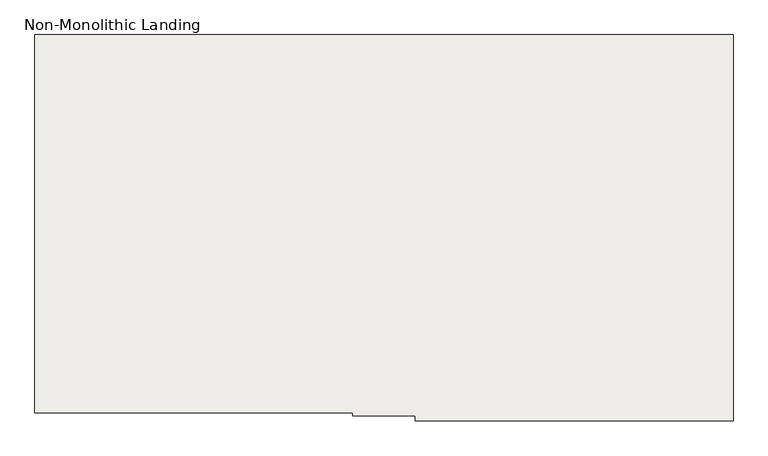
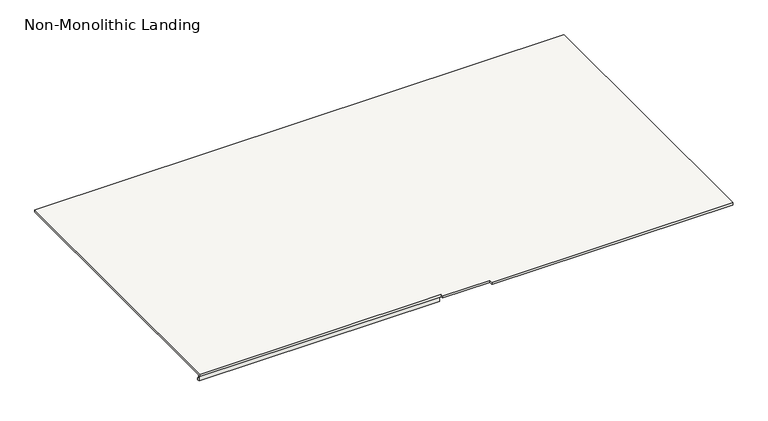
"""IFC4 building model written with IfcOpenShell, lengths in millimetres: slab geometry, Non-Monolithic Landing."""

from ifc_helpers import new_model, si_unit, origin, place, context, project, spatial, faceted_brep, source, transform, mapped, element, save


def non_monolithic_landing_a6f5d22e(model_context):
    return source(origin(), model_context, "Body", "Brep", [
        faceted_brep([(-10251.8300828, 3425.7653131, 2321.5294118), (-10251.8300828, 2235.7653131, 2321.5294118), (-9251.8300828, 2235.7653131, 2321.5294118), (-9251.8300828, 2225.7653131, 2321.5294118), (-9055.3300828, 2225.7653131, 2321.5294118), (-9055.3300828, 2210.7653131, 2321.5294118), (-8055.3300828, 2210.7653131, 2321.5294118), (-8055.3300828, 2225.7653131, 2321.5294118), (-8055.3300828, 3425.7653131, 2321.5294118), (-9251.8300828, 2235.7653131, 2311.5294118), (-10251.8300828, 2235.7653131, 2311.5294118), (-10251.8300828, 2245.7653131, 2311.5294118), (-9251.8300828, 2245.7653131, 2311.5294118), (-9251.8300828, 2249.0596675, 2311.5294118), (-10251.8300828, 2249.0596675, 2311.5294118), (-10251.8300828, 3425.7653131, 2311.5294118), (-8055.3300828, 3425.7653131, 2311.5294118), (-8055.3300828, 2225.7653131, 2311.5294118), (-8055.3300828, 2210.7653131, 2311.5294118), (-9055.3300828, 2210.7653131, 2311.5294118), (-9055.3300828, 2225.7653131, 2311.5294118), (-9251.8300828, 2225.7653131, 2311.5294118), (-10251.8300828, 2249.0596675, 2294.8944381), (-10251.8300828, 2254.9596352, 2294.9074412), (-10251.8300828, 2254.9596352, 2285.6487924), (-10251.8300828, 2245.7653131, 2285.6487924), (-9251.8300828, 2245.7653131, 2285.6487924), (-9251.8300828, 2254.9596352, 2285.6487924), (-9251.8300828, 2254.9596352, 2294.9074412), (-9251.8300828, 2249.0596675, 2294.8944381)], [[[0, 1, 2, 3, 4, 5, 6, 7, 8]], [[9, 10, 11, 12, 13, 14, 15, 16, 17, 18, 19, 20, 21]], [[8, 7, 17, 16]], [[0, 8, 16, 15]], [[0, 15, 14, 22, 23, 24, 25, 11, 10, 1]], [[26, 27, 28, 29, 13, 12]], [[25, 26, 12, 11]], [[27, 26, 25, 24]], [[28, 27, 24, 23]], [[29, 28, 23, 22]], [[29, 22, 14, 13]], [[2, 1, 10, 9]], [[3, 2, 9, 21]], [[4, 3, 21, 20]], [[5, 4, 20, 19]], [[6, 5, 19, 18]], [[7, 6, 18, 17]]]),
    ])


if __name__ == "__main__":
    model = new_model("IFC4")
    model_context = context("Model", 3, world=origin())
    ifc_project = project(units=[si_unit("LENGTHUNIT", "METRE", prefix="MILLI")], contexts=[model_context])
    site = spatial("IfcSite", under=ifc_project)
    building = spatial("IfcBuilding", under=site)
    placement = place(None, origin())
    non_monolithic_landing_shape = non_monolithic_landing_a6f5d22e(model_context)
    element("IfcSlab", 1, ObjectType="Non-Monolithic Landing", at=placement, inside=building, context=model_context, shape_type="MappedRepresentation", body=[
        mapped(non_monolithic_landing_shape, transform((0.0, 0.0, 0.0), x_axis=(1.0, 0.0, 0.0), y_axis=(0.0, 1.0, 0.0), z_axis=(0.0, 0.0, 1.0))),
    ])
    save(model, "model.ifc")
